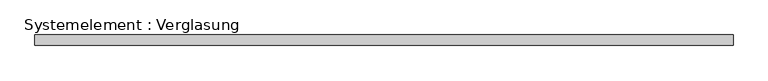
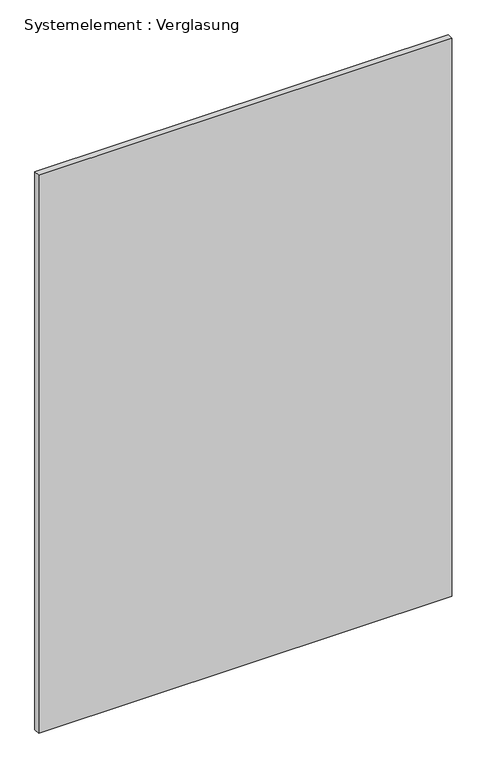
"""IFC4 building model written with IfcOpenShell, lengths in millimetres: plate geometry, Systemelement : Verglasung."""

from ifc_helpers import new_model, si_unit, origin, origin_with_axes, place, context, project, spatial, polyline, outline, extrude, source, transform, mapped, element, save


def systemelement_verglasung_2243df4f(model_context):
    return source(origin(), model_context, "Body", "SweptSolid", [
        extrude(outline(polyline([(995.0, -15.0), (-995.0, -15.0), (-995.0, 15.0), (995.0, 15.0), (995.0, -15.0)])), origin_with_axes(), (0.0, 0.0, 1.0), 2840.0),
    ])


if __name__ == "__main__":
    model = new_model("IFC4")
    model_context = context("Model", 3, world=origin())
    ifc_project = project(units=[si_unit("LENGTHUNIT", "METRE", prefix="MILLI")], contexts=[model_context])
    site = spatial("IfcSite", under=ifc_project)
    building = spatial("IfcBuilding", under=site)
    placement = place(None, origin())
    systemelement_verglasung_shape = systemelement_verglasung_2243df4f(model_context)
    element("IfcPlate", 1, ObjectType="Systemelement : Verglasung", at=placement, inside=building, context=model_context, shape_type="MappedRepresentation", body=[
        mapped(systemelement_verglasung_shape, transform((0.0, 0.0, 0.0), x_axis=(1.0, 0.0, 0.0), y_axis=(0.0, 1.0, 0.0), z_axis=(0.0, 0.0, 1.0))),
    ])
    save(model, "model.ifc")
